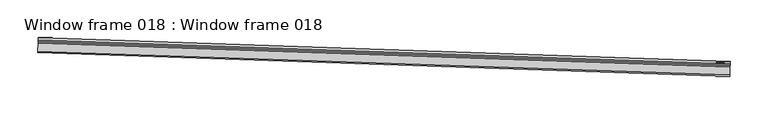
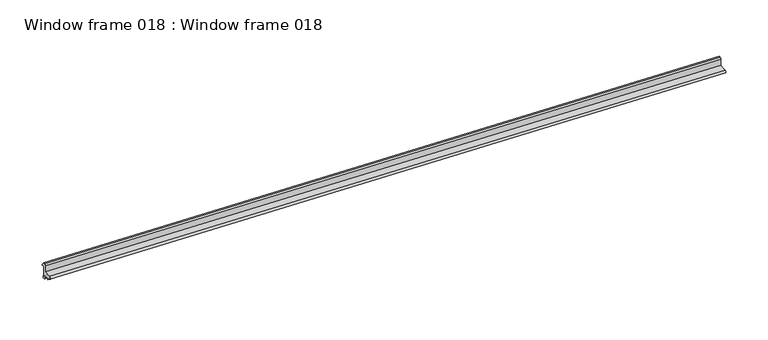
"""IFC4 building model written with IfcOpenShell, lengths in millimetres: proxy geometry, Window frame 018 : Window frame 018."""

import ifcopenshell
import ifcopenshell.guid

model = None  # the IFC model being written
_history = None  # IfcOwnerHistory: only IFC2X3 demands one
_inside = {}  # id of a spatial element -> (the spatial element, [elements in it])
_under = {}  # id of a project, library or spatial element -> (it, [spatial elements below it])
_declared = {}  # id of a project -> (the project, [libraries it declares])
_typed = {}  # id of a type object -> (the type object, [elements of that type])
_made_of = {}  # id of a material, layer set ... -> (it, [elements and type objects made of it])


def new_model(schema):
    """Start an empty IFC model of exactly this schema.

    Asked for "IFC4X3", IfcOpenShell would pick the latest addendum, in which some entities
    have other attributes; the version numbers below select the first issue.
    IFC2X3 requires an IfcOwnerHistory on every rooted entity: one is made here for all.
    """
    global model, _history
    if schema == "IFC4X3":
        model = ifcopenshell.file(schema_version=(4, 3, 0, 0))
    else:
        model = ifcopenshell.file(schema=schema)
    _inside.clear()
    _under.clear()
    _declared.clear()
    _typed.clear()
    _made_of.clear()
    _history = None
    if model.schema == "IFC2X3":
        org = make("IfcOrganization", Name="unknown")
        user = make(
            "IfcPersonAndOrganization",
            ThePerson=make("IfcPerson", FamilyName="unknown"),
            TheOrganization=org,
        )
        app = make(
            "IfcApplication",
            ApplicationDeveloper=org,
            Version="unknown",
            ApplicationFullName="unknown",
            ApplicationIdentifier="unknown",
        )
        _history = make(
            "IfcOwnerHistory",
            OwningUser=user,
            OwningApplication=app,
            ChangeAction="ADDED",
            CreationDate=0,
        )
    return model


def make(cls, **values):
    """One entity of the class cls with the attributes given. An attribute that is None is left unset."""
    return model.create_entity(
        cls, **{name: value for name, value in values.items() if value is not None}
    )


def rooted(cls, **values):
    """An entity with a GlobalId (a new one), such as an element, a storey or a relation."""
    return make(cls, GlobalId=ifcopenshell.guid.new(), OwnerHistory=_history, **values)


def si_unit(unit_type, name, prefix=None):
    """IfcSIUnit, for example si_unit("LENGTHUNIT", "METRE", prefix="MILLI")."""
    return make("IfcSIUnit", UnitType=unit_type, Prefix=prefix, Name=name)


def assignment(units):
    """IfcUnitAssignment: the units of a project."""
    return None if units is None else make("IfcUnitAssignment", Units=units)


def point(xyz):
    """IfcCartesianPoint."""
    return None if xyz is None else make("IfcCartesianPoint", Coordinates=xyz)


def direction(xyz):
    """IfcDirection."""
    return None if xyz is None else make("IfcDirection", DirectionRatios=xyz)


def frame(location, z_axis=None, x_axis=None):
    """IfcAxis2Placement3D, a coordinate frame: its origin and axes. An axis left out is left unset."""
    return make(
        "IfcAxis2Placement3D",
        Location=point(location),
        Axis=direction(z_axis),
        RefDirection=direction(x_axis),
    )


def frame_2d(location, x_axis=None):
    """IfcAxis2Placement2D, a coordinate frame in the plane: its origin and x axis."""
    return make(
        "IfcAxis2Placement2D", Location=point(location), RefDirection=direction(x_axis)
    )


def origin():
    """The frame at (0, 0, 0) with its axes left unset."""
    return frame((0.0, 0.0, 0.0))


def place(relative_to, where):
    """IfcLocalPlacement: puts the frame where relative to a parent placement (None: the world)."""
    return make(
        "IfcLocalPlacement", PlacementRelTo=relative_to, RelativePlacement=where
    )


def context(
    kind, dimensions, precision=None, world=None, true_north=None, identifier=None
):
    """IfcGeometricRepresentationContext, for example the 3D "Model" context."""
    return make(
        "IfcGeometricRepresentationContext",
        ContextIdentifier=identifier,
        ContextType=kind,
        CoordinateSpaceDimension=dimensions,
        Precision=precision,
        WorldCoordinateSystem=world,
        TrueNorth=true_north,
    )


def project(units=None, contexts=None):
    """IfcProject with its units and contexts."""
    return rooted(
        "IfcProject",
        Name="project",
        RepresentationContexts=contexts,
        UnitsInContext=assignment(units),
    )


def spatial(cls, under=None, at=None, **own):
    """A site, building, storey or space (cls), placed at a placement, below another one or the project."""
    s = rooted(cls, ObjectPlacement=at, **own)
    if under is not None:
        _under.setdefault(under.id(), (under, []))[1].append(s)
    return s


def polyline(points):
    """IfcPolyline through the points."""
    return make("IfcPolyline", Points=[point(p) for p in points])


def circle_curve(where, radius):
    """IfcCircle in the frame where."""
    return make("IfcCircle", Position=where, Radius=radius)


def trimmed(basis, trim1, trim2, sense, master):
    """IfcTrimmedCurve: the piece of a basis curve between two trims."""
    return make(
        "IfcTrimmedCurve",
        BasisCurve=basis,
        Trim1=trim1,
        Trim2=trim2,
        SenseAgreement=sense,
        MasterRepresentation=master,
    )


def segment(curve, same_sense, transition):
    """IfcCompositeCurveSegment."""
    return make(
        "IfcCompositeCurveSegment",
        Transition=transition,
        SameSense=same_sense,
        ParentCurve=curve,
    )


def composite_curve(segments, self_intersect=None):
    """IfcCompositeCurve: segments joined end to end."""
    return make("IfcCompositeCurve", Segments=segments, SelfIntersect=self_intersect)


def outline(outer, holes=None, kind="AREA"):
    """IfcArbitraryClosedProfileDef: a profile drawn as a closed curve; with holes, ...WithVoids."""
    if holes is None:
        return make("IfcArbitraryClosedProfileDef", ProfileType=kind, OuterCurve=outer)
    return make(
        "IfcArbitraryProfileDefWithVoids",
        ProfileType=kind,
        OuterCurve=outer,
        InnerCurves=holes,
    )


def extrude(swept, where, along, depth):
    """IfcExtrudedAreaSolid: the profile swept, set in the frame where, extruded along a direction by depth."""
    return make(
        "IfcExtrudedAreaSolid",
        SweptArea=swept,
        Position=where,
        ExtrudedDirection=direction(along),
        Depth=depth,
    )


def shape(context_of_items, identifier, shape_type, items):
    """IfcShapeRepresentation: the items that make up one representation, for example the "Body"."""
    return make(
        "IfcShapeRepresentation",
        ContextOfItems=context_of_items,
        RepresentationIdentifier=identifier,
        RepresentationType=shape_type,
        Items=items,
    )


def source(mapping_origin, context_of_items, identifier, shape_type, items):
    """IfcRepresentationMap: a shape defined once, which mapped items show again and again."""
    return make(
        "IfcRepresentationMap",
        MappingOrigin=mapping_origin,
        MappedRepresentation=shape(context_of_items, identifier, shape_type, items),
    )


def transform(
    local_origin,
    x_axis=None,
    y_axis=None,
    z_axis=None,
    scale=None,
    scale2=None,
    scale3=None,
    uniform=True,
):
    """IfcCartesianTransformationOperator3D, or its non-uniform kind. x_axis, y_axis, z_axis: its Axis1, 2, 3."""
    if uniform:
        return make(
            "IfcCartesianTransformationOperator3D",
            Axis1=direction(x_axis),
            Axis2=direction(y_axis),
            LocalOrigin=point(local_origin),
            Scale=scale,
            Axis3=direction(z_axis),
        )
    return make(
        "IfcCartesianTransformationOperator3DnonUniform",
        Axis1=direction(x_axis),
        Axis2=direction(y_axis),
        LocalOrigin=point(local_origin),
        Scale=scale,
        Axis3=direction(z_axis),
        Scale2=scale2,
        Scale3=scale3,
    )


def mapped(mapping_source, mapping_target):
    """IfcMappedItem: shows the shape of a source again, moved by a transform."""
    return make(
        "IfcMappedItem", MappingSource=mapping_source, MappingTarget=mapping_target
    )


def made_of(thing, what):
    """Note that an element or type object is made of a material, layer set ...; save() writes the relation."""
    if what is not None:
        _made_of.setdefault(what.id(), (what, []))[1].append(thing)
    return thing


def element(
    cls,
    number,
    at=None,
    inside=None,
    cuts=None,
    type_object=None,
    material=None,
    context=None,
    identifier="Body",
    shape_type=None,
    held_by="IfcProductDefinitionShape",
    body=None,
    shapes=None,
    **own,
):
    """One element of the class cls, such as IfcWall. Its Tag is "e" and its number.

    at: its placement. inside: the storey or other place that contains it. cuts: it is an
    opening in that element (IfcRelVoidsElement). A single representation is given by context,
    identifier, shape_type and body (its items); several are given by shapes. held_by: the class
    of the entity that holds the representations. save() writes the other relations.
    """
    e = rooted(cls, Tag="e%d" % number, ObjectPlacement=at, **own)
    if body is not None:
        shapes = [shape(context, identifier, shape_type, body)]
    if shapes is not None:
        e.Representation = make(held_by, Representations=shapes)
    if inside is not None:
        _inside.setdefault(inside.id(), (inside, []))[1].append(e)
    if cuts is not None:
        rooted(
            "IfcRelVoidsElement", RelatingBuildingElement=cuts, RelatedOpeningElement=e
        )
    if type_object is not None:
        _typed.setdefault(type_object.id(), (type_object, []))[1].append(e)
    return made_of(e, material)


def aggregate(whole, parts):
    """IfcRelAggregates: a whole, such as a stair, and the parts it consists of."""
    return rooted("IfcRelAggregates", RelatingObject=whole, RelatedObjects=parts)


def save(model, path):
    """Write the relations noted so far, then the file.

    IfcRelAggregates (storeys below a building ...), IfcRelContainedInSpatialStructure (elements
    in a storey), IfcRelDefinesByType, IfcRelAssociatesMaterial and IfcRelDeclares: one each for
    every whole, place, type object, material and project.
    """
    for whole, parts in _under.values():
        aggregate(whole, parts)
    for where, things in _inside.values():
        rooted(
            "IfcRelContainedInSpatialStructure",
            RelatedElements=things,
            RelatingStructure=where,
        )
    for kind, things in _typed.values():
        rooted("IfcRelDefinesByType", RelatedObjects=things, RelatingType=kind)
    for what, things in _made_of.values():
        rooted("IfcRelAssociatesMaterial", RelatedObjects=things, RelatingMaterial=what)
    for by, libraries in _declared.values():
        rooted("IfcRelDeclares", RelatingContext=by, RelatedDefinitions=libraries)
    model.write(path)


def window_frame_018_window_frame_018_65def99f(model_context):
    return source(origin(), model_context, "Body", "SweptSolid", [
        extrude(outline(composite_curve([segment(polyline([(0.0, 0.0), (5.4529428, 0.0), (6.7041179, -1.7252827)]), True, "CONTINUOUS"), segment(trimmed(circle_curve(frame_2d((5.2647675, -2.7690998)), 1.778), [point((6.7041179, -1.7252827))], [point((6.3085846, -4.2084503))], False, "CARTESIAN"), True, "CONTINUOUS"), segment(polyline([(6.3085846, -4.2084503), (-1.1211772, -9.5965143), (5.2432599, -18.3726259)]), True, "CONTINUOUS"), segment(trimmed(circle_curve(frame_2d((3.8039094, -19.416443)), 1.778), [point((5.2432599, -18.3726259))], [point((2.3645589, -20.4602601))], False, "CARTESIAN"), True, "CONTINUOUS"), segment(polyline([(2.3645589, -20.4602601), (0.2288621, -17.9479386), (-1.4894738, -19.1940761), (-2.9373565, -19.2172801), (-3.2746186, -18.1032378), (-2.074326, -17.5950853), (-5.4521732, -13.5862529), (-6.3080956, -14.5692677), (-7.9704414, -12.7096639), (-9.1780286, -13.5854062)]), True, "CONTINUOUS"), segment(trimmed(circle_curve(frame_2d((-10.8525746, -12.7317127)), 1.8796001), [point((-9.1780286, -13.5854062))], [point((-9.3309755, -11.6282488))], False, "CARTESIAN"), True, "CONTINUOUS"), segment(polyline([(-9.3309755, -11.6282488), (1.9277042, -3.4634531), (-1.2171055, -0.7004971), (0.0, 0.0)]), True, "CONTINUOUS")], self_intersect=False)), frame((34354.5249768, -15481.2647244, 2906.4399717), z_axis=(-0.9994149479165602, 0.03420178183866093, 0.0), x_axis=(-0.020078968286123926, -0.5867302802870392, 0.8095334540504533)), (0.0, 0.0, 1.0), 914.4),
    ])


if __name__ == "__main__":
    model = new_model("IFC4")
    model_context = context("Model", 3, world=origin())
    ifc_project = project(units=[si_unit("LENGTHUNIT", "METRE", prefix="MILLI")], contexts=[model_context])
    site = spatial("IfcSite", under=ifc_project)
    building = spatial("IfcBuilding", under=site)
    placement = place(None, origin())
    window_frame_018_window_frame_018_shape = window_frame_018_window_frame_018_65def99f(model_context)
    element("IfcBuildingElementProxy", 1, Name="Window frame 018 : Window frame 018", ObjectType="Window frame 018 : Window frame 018", at=placement, inside=building, context=model_context, shape_type="MappedRepresentation", body=[
        mapped(window_frame_018_window_frame_018_shape, transform((0.0, 0.0, 0.0), x_axis=(1.0, 0.0, 0.0), y_axis=(0.0, 1.0, 0.0), z_axis=(0.0, 0.0, 1.0))),
    ])
    save(model, "model.ifc")
